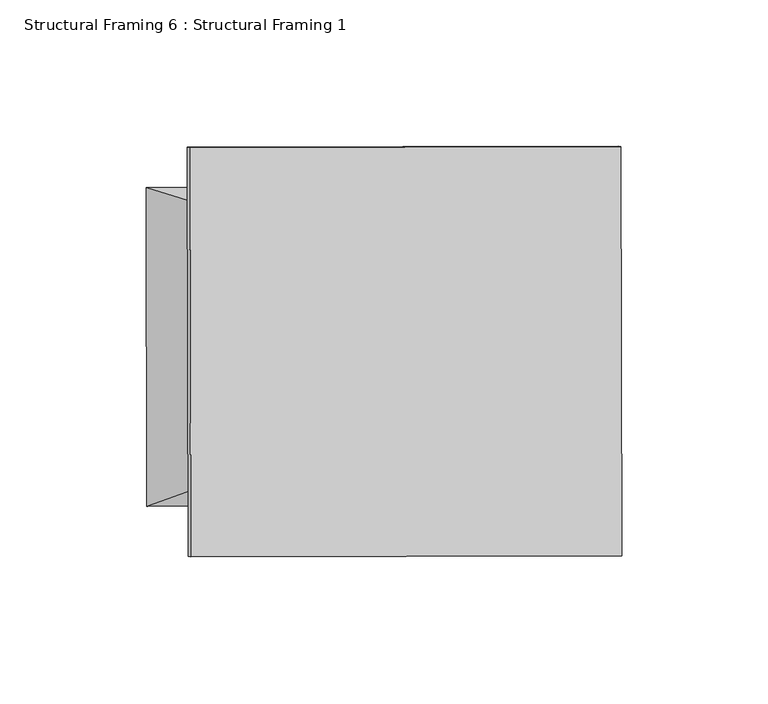
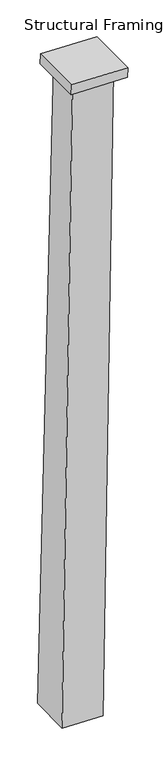
"""IFC4 building model written with IfcOpenShell, lengths in millimetres: beam geometry, Structural Framing 6 : Structural Framing 1."""

import ifcopenshell
import ifcopenshell.guid

model = None  # the IFC model being written
_history = None  # IfcOwnerHistory: only IFC2X3 demands one
_inside = {}  # id of a spatial element -> (the spatial element, [elements in it])
_under = {}  # id of a project, library or spatial element -> (it, [spatial elements below it])
_declared = {}  # id of a project -> (the project, [libraries it declares])
_typed = {}  # id of a type object -> (the type object, [elements of that type])
_made_of = {}  # id of a material, layer set ... -> (it, [elements and type objects made of it])


def new_model(schema):
    """Start an empty IFC model of exactly this schema.

    Asked for "IFC4X3", IfcOpenShell would pick the latest addendum, in which some entities
    have other attributes; the version numbers below select the first issue.
    IFC2X3 requires an IfcOwnerHistory on every rooted entity: one is made here for all.
    """
    global model, _history
    if schema == "IFC4X3":
        model = ifcopenshell.file(schema_version=(4, 3, 0, 0))
    else:
        model = ifcopenshell.file(schema=schema)
    _inside.clear()
    _under.clear()
    _declared.clear()
    _typed.clear()
    _made_of.clear()
    _history = None
    if model.schema == "IFC2X3":
        org = make("IfcOrganization", Name="unknown")
        user = make(
            "IfcPersonAndOrganization",
            ThePerson=make("IfcPerson", FamilyName="unknown"),
            TheOrganization=org,
        )
        app = make(
            "IfcApplication",
            ApplicationDeveloper=org,
            Version="unknown",
            ApplicationFullName="unknown",
            ApplicationIdentifier="unknown",
        )
        _history = make(
            "IfcOwnerHistory",
            OwningUser=user,
            OwningApplication=app,
            ChangeAction="ADDED",
            CreationDate=0,
        )
    return model


def make(cls, **values):
    """One entity of the class cls with the attributes given. An attribute that is None is left unset."""
    return model.create_entity(
        cls, **{name: value for name, value in values.items() if value is not None}
    )


def rooted(cls, **values):
    """An entity with a GlobalId (a new one), such as an element, a storey or a relation."""
    return make(cls, GlobalId=ifcopenshell.guid.new(), OwnerHistory=_history, **values)


def si_unit(unit_type, name, prefix=None):
    """IfcSIUnit, for example si_unit("LENGTHUNIT", "METRE", prefix="MILLI")."""
    return make("IfcSIUnit", UnitType=unit_type, Prefix=prefix, Name=name)


def assignment(units):
    """IfcUnitAssignment: the units of a project."""
    return None if units is None else make("IfcUnitAssignment", Units=units)


def point(xyz):
    """IfcCartesianPoint."""
    return None if xyz is None else make("IfcCartesianPoint", Coordinates=xyz)


def direction(xyz):
    """IfcDirection."""
    return None if xyz is None else make("IfcDirection", DirectionRatios=xyz)


def frame(location, z_axis=None, x_axis=None):
    """IfcAxis2Placement3D, a coordinate frame: its origin and axes. An axis left out is left unset."""
    return make(
        "IfcAxis2Placement3D",
        Location=point(location),
        Axis=direction(z_axis),
        RefDirection=direction(x_axis),
    )


def origin():
    """The frame at (0, 0, 0) with its axes left unset."""
    return frame((0.0, 0.0, 0.0))


def place(relative_to, where):
    """IfcLocalPlacement: puts the frame where relative to a parent placement (None: the world)."""
    return make(
        "IfcLocalPlacement", PlacementRelTo=relative_to, RelativePlacement=where
    )


def context(
    kind, dimensions, precision=None, world=None, true_north=None, identifier=None
):
    """IfcGeometricRepresentationContext, for example the 3D "Model" context."""
    return make(
        "IfcGeometricRepresentationContext",
        ContextIdentifier=identifier,
        ContextType=kind,
        CoordinateSpaceDimension=dimensions,
        Precision=precision,
        WorldCoordinateSystem=world,
        TrueNorth=true_north,
    )


def project(units=None, contexts=None):
    """IfcProject with its units and contexts."""
    return rooted(
        "IfcProject",
        Name="project",
        RepresentationContexts=contexts,
        UnitsInContext=assignment(units),
    )


def spatial(cls, under=None, at=None, **own):
    """A site, building, storey or space (cls), placed at a placement, below another one or the project."""
    s = rooted(cls, ObjectPlacement=at, **own)
    if under is not None:
        _under.setdefault(under.id(), (under, []))[1].append(s)
    return s


def polyline(points):
    """IfcPolyline through the points."""
    return make("IfcPolyline", Points=[point(p) for p in points])


def outline(outer, holes=None, kind="AREA"):
    """IfcArbitraryClosedProfileDef: a profile drawn as a closed curve; with holes, ...WithVoids."""
    if holes is None:
        return make("IfcArbitraryClosedProfileDef", ProfileType=kind, OuterCurve=outer)
    return make(
        "IfcArbitraryProfileDefWithVoids",
        ProfileType=kind,
        OuterCurve=outer,
        InnerCurves=holes,
    )


def extrude(swept, where, along, depth):
    """IfcExtrudedAreaSolid: the profile swept, set in the frame where, extruded along a direction by depth."""
    return make(
        "IfcExtrudedAreaSolid",
        SweptArea=swept,
        Position=where,
        ExtrudedDirection=direction(along),
        Depth=depth,
    )


def shape(context_of_items, identifier, shape_type, items):
    """IfcShapeRepresentation: the items that make up one representation, for example the "Body"."""
    return make(
        "IfcShapeRepresentation",
        ContextOfItems=context_of_items,
        RepresentationIdentifier=identifier,
        RepresentationType=shape_type,
        Items=items,
    )


def source(mapping_origin, context_of_items, identifier, shape_type, items):
    """IfcRepresentationMap: a shape defined once, which mapped items show again and again."""
    return make(
        "IfcRepresentationMap",
        MappingOrigin=mapping_origin,
        MappedRepresentation=shape(context_of_items, identifier, shape_type, items),
    )


def transform(
    local_origin,
    x_axis=None,
    y_axis=None,
    z_axis=None,
    scale=None,
    scale2=None,
    scale3=None,
    uniform=True,
):
    """IfcCartesianTransformationOperator3D, or its non-uniform kind. x_axis, y_axis, z_axis: its Axis1, 2, 3."""
    if uniform:
        return make(
            "IfcCartesianTransformationOperator3D",
            Axis1=direction(x_axis),
            Axis2=direction(y_axis),
            LocalOrigin=point(local_origin),
            Scale=scale,
            Axis3=direction(z_axis),
        )
    return make(
        "IfcCartesianTransformationOperator3DnonUniform",
        Axis1=direction(x_axis),
        Axis2=direction(y_axis),
        LocalOrigin=point(local_origin),
        Scale=scale,
        Axis3=direction(z_axis),
        Scale2=scale2,
        Scale3=scale3,
    )


def mapped(mapping_source, mapping_target):
    """IfcMappedItem: shows the shape of a source again, moved by a transform."""
    return make(
        "IfcMappedItem", MappingSource=mapping_source, MappingTarget=mapping_target
    )


def made_of(thing, what):
    """Note that an element or type object is made of a material, layer set ...; save() writes the relation."""
    if what is not None:
        _made_of.setdefault(what.id(), (what, []))[1].append(thing)
    return thing


def element(
    cls,
    number,
    at=None,
    inside=None,
    cuts=None,
    type_object=None,
    material=None,
    context=None,
    identifier="Body",
    shape_type=None,
    held_by="IfcProductDefinitionShape",
    body=None,
    shapes=None,
    **own,
):
    """One element of the class cls, such as IfcWall. Its Tag is "e" and its number.

    at: its placement. inside: the storey or other place that contains it. cuts: it is an
    opening in that element (IfcRelVoidsElement). A single representation is given by context,
    identifier, shape_type and body (its items); several are given by shapes. held_by: the class
    of the entity that holds the representations. save() writes the other relations.
    """
    e = rooted(cls, Tag="e%d" % number, ObjectPlacement=at, **own)
    if body is not None:
        shapes = [shape(context, identifier, shape_type, body)]
    if shapes is not None:
        e.Representation = make(held_by, Representations=shapes)
    if inside is not None:
        _inside.setdefault(inside.id(), (inside, []))[1].append(e)
    if cuts is not None:
        rooted(
            "IfcRelVoidsElement", RelatingBuildingElement=cuts, RelatedOpeningElement=e
        )
    if type_object is not None:
        _typed.setdefault(type_object.id(), (type_object, []))[1].append(e)
    return made_of(e, material)


def aggregate(whole, parts):
    """IfcRelAggregates: a whole, such as a stair, and the parts it consists of."""
    return rooted("IfcRelAggregates", RelatingObject=whole, RelatedObjects=parts)


def save(model, path):
    """Write the relations noted so far, then the file.

    IfcRelAggregates (storeys below a building ...), IfcRelContainedInSpatialStructure (elements
    in a storey), IfcRelDefinesByType, IfcRelAssociatesMaterial and IfcRelDeclares: one each for
    every whole, place, type object, material and project.
    """
    for whole, parts in _under.values():
        aggregate(whole, parts)
    for where, things in _inside.values():
        rooted(
            "IfcRelContainedInSpatialStructure",
            RelatedElements=things,
            RelatingStructure=where,
        )
    for kind, things in _typed.values():
        rooted("IfcRelDefinesByType", RelatedObjects=things, RelatingType=kind)
    for what, things in _made_of.values():
        rooted("IfcRelAssociatesMaterial", RelatedObjects=things, RelatingMaterial=what)
    for by, libraries in _declared.values():
        rooted("IfcRelDeclares", RelatingContext=by, RelatedDefinitions=libraries)
    model.write(path)


def structural_framing_6_structural_framing_1_7ff7e764(model_context):
    return source(origin(), model_context, "Body", "SweptSolid", [
        extrude(outline(polyline([(0.0, -147.6301073), (0.0, 0.0), (140.1525253, 0.0), (140.1525254, -147.6301073), (0.0, -147.6301073)])), frame((-40789.3495429, 34889.7315705, 110763.1991731), z_axis=(0.02950627649381935, -0.006282896178629116, 0.9995448488502549), x_axis=(0.0028798217904737384, -0.9999755606465961, -0.00637061503947145)), (0.0, 0.0, 1.0), 27.1569461),
        extrude(outline(polyline([(1762.3257498, 0.0), (1763.9678522, -85.8013329), (2.4594276, -109.2129603), (4.7875323, 0.0), (1762.3257498, 0.0)])), frame((-40844.0260038, 34876.1131158, 109004.6512178), z_axis=(-0.9997985662024901, -0.0030057349629013168, 0.019844207637944547), x_axis=(0.019862871038700453, -0.006312184000745646, 0.9997827877530403)), (0.0, 0.0, 1.0), 107.0531048),
    ])


if __name__ == "__main__":
    model = new_model("IFC4")
    model_context = context("Model", 3, world=origin())
    ifc_project = project(units=[si_unit("LENGTHUNIT", "METRE", prefix="MILLI")], contexts=[model_context])
    site = spatial("IfcSite", under=ifc_project)
    building = spatial("IfcBuilding", under=site)
    placement = place(None, origin())
    structural_framing_6_structural_framing_1_shape = structural_framing_6_structural_framing_1_7ff7e764(model_context)
    element("IfcBeam", 1, ObjectType="Structural Framing 6 : Structural Framing 1", at=placement, inside=building, context=model_context, shape_type="MappedRepresentation", body=[
        mapped(structural_framing_6_structural_framing_1_shape, transform((0.0, 0.0, 0.0), x_axis=(1.0, 0.0, 0.0), y_axis=(0.0, 1.0, 0.0), z_axis=(0.0, 0.0, 1.0))),
    ])
    save(model, "model.ifc")
